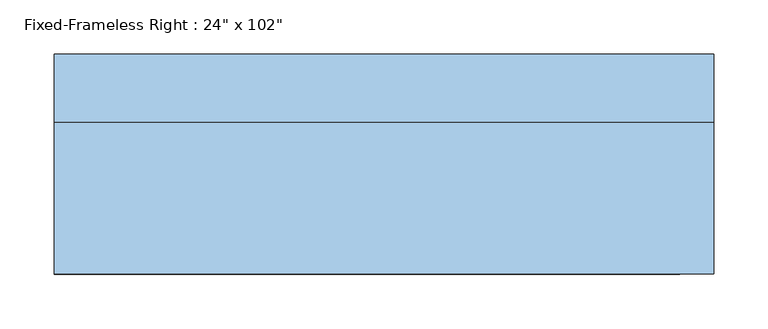
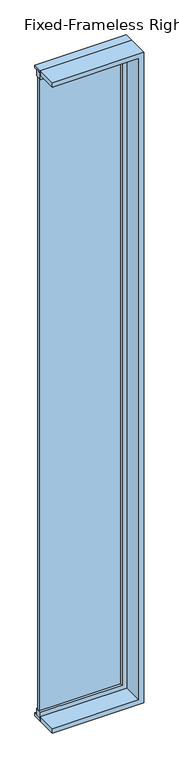
"""IFC4 building model written with IfcOpenShell, lengths in millimetres: window geometry."""

from ifc_helpers import new_model, si_unit, frame, origin, place, context, project, spatial, polyline, outline, extrude, source, transform, mapped, element, save


def window_d325fbb7(model_context):
    return source(origin(), model_context, "Body", "SweptSolid", [
        extrude(outline(polyline([(203.2, 53.975), (-342.9, 53.975), (-342.9, 66.675), (203.2, 66.675), (203.2, 53.975)])), frame((0.0, 0.0, 368.3), z_axis=(0.0, 0.0, 1.0), x_axis=(1.0, 0.0, 0.0)), (0.0, 0.0, 1.0), 4473.0),
        extrude(outline(polyline([(4885.75, -342.9), (4841.3, -342.9), (4841.3, 203.2), (368.3, 203.2), (368.3, -342.9), (323.85, -342.9), (323.85, 247.65), (4885.75, 247.65), (4885.75, -342.9)])), frame((0.0, 38.1, 0.0), z_axis=(0.0, 1.0, 0.0), x_axis=(0.0, 0.0, 1.0)), (0.0, 0.0, 1.0), 44.45),
        extrude(outline(polyline([(4904.8, -342.9), (4873.05, -342.9), (4873.05, 234.95), (336.55, 234.95), (336.55, -342.9), (304.8, -342.9), (304.8, 266.7), (4904.8, 266.7), (4904.8, -342.9)])), frame((0.0, -101.6, 0.0), z_axis=(0.0, 1.0, 0.0), x_axis=(0.0, 0.0, 1.0)), (0.0, 0.0, 1.0), 139.7),
        extrude(outline(polyline([(4904.8, 266.7), (4904.8, -342.9), (4885.75, -342.9), (4885.75, 247.65), (323.85, 247.65), (323.85, -342.9), (304.8, -342.9), (304.8, 266.7), (4904.8, 266.7)])), frame((0.0, 38.1, 0.0), z_axis=(0.0, 1.0, 0.0), x_axis=(0.0, 0.0, 1.0)), (0.0, 0.0, 1.0), 63.5),
    ])


if __name__ == "__main__":
    model = new_model("IFC4")
    model_context = context("Model", 3, world=origin())
    ifc_project = project(units=[si_unit("LENGTHUNIT", "METRE", prefix="MILLI")], contexts=[model_context])
    site = spatial("IfcSite", under=ifc_project)
    building = spatial("IfcBuilding", under=site)
    placement = place(None, origin())
    window_shape = window_d325fbb7(model_context)
    element("IfcWindow", 1, ObjectType="Fixed-Frameless Right : 24\" x 102\"", at=placement, inside=building, context=model_context, shape_type="MappedRepresentation", body=[
        mapped(window_shape, transform((0.0, 0.0, 0.0), x_axis=(1.0, 0.0, 0.0), y_axis=(0.0, 1.0, 0.0), z_axis=(0.0, 0.0, 1.0))),
    ])
    save(model, "model.ifc")
